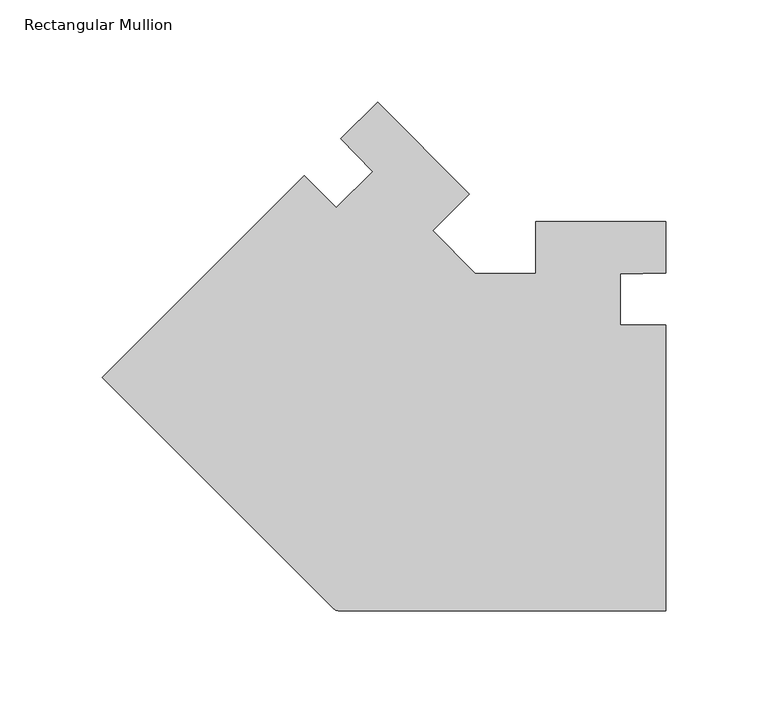
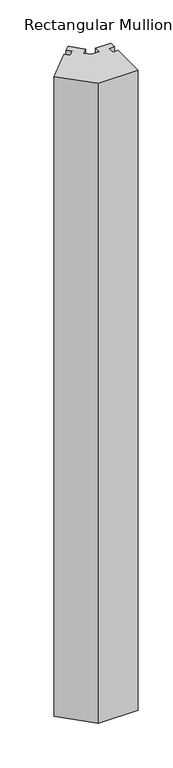
"""IFC4 building model written with IfcOpenShell, lengths in millimetres: member geometry, Rectangular Mullion."""

from ifc_helpers import new_model, si_unit, point, frame, frame_2d, origin, place, context, project, spatial, polyline, circle_curve, trimmed, segment, composite_curve, outline, extrude, source, transform, mapped, element, save


def rectangular_mullion_4b3859a2(model_context):
    return source(origin(), model_context, "Body", "SweptSolid", [
        extrude(outline(composite_curve([segment(trimmed(circle_curve(frame_2d((-160.1425556, -267.3620158)), 3.175), [point((-160.134354, -270.5370052))], [point((-162.3876196, -269.6070798))], False, "CARTESIAN"), True, "CONTINUOUS"), segment(polyline([(-162.3876196, -269.6070798), (-275.6255066, -156.3691928), (-176.8426853, -57.5863715), (-161.1273172, -73.3017397), (-143.3914021, -55.5658246)]), True, "CONTINUOUS"), segment(trimmed(circle_curve(frame_2d((-481.8228378, -368.6487055)), 461.0387479), [point((-143.3914021, -55.5658246))], [point((-158.8744881, -39.6181743))], True, "CARTESIAN"), True, "CONTINUOUS"), segment(polyline([(-158.8744881, -39.6181743), (-140.9216608, -21.665347), (-96.0203802, -66.5666276), (-113.9808964, -84.5271438), (-93.0710245, -105.4370157), (-63.5, -105.4370157), (-63.5, -80.0370102), (0.0, -80.0370102), (0.0, -105.426142)]), True, "CONTINUOUS"), segment(trimmed(circle_curve(frame_2d((-4.3007518, -566.4448298)), 461.0387479), [point((0.0, -105.426142))], [point((-22.2248868, -105.7546385))], True, "CARTESIAN"), True, "CONTINUOUS"), segment(polyline([(-22.2248868, -105.7546385), (-22.2248868, -130.8370102), (0.0, -130.8370102), (0.0, -270.5370052), (-160.134354, -270.5370052)]), True, "CONTINUOUS")], self_intersect=False)), frame((0.0, 0.0, -2743.2), z_axis=(0.0, 0.0, 1.0), x_axis=(1.0, 0.0, 0.0)), (0.0, 0.0, 1.0), 2743.2),
    ])


if __name__ == "__main__":
    model = new_model("IFC4")
    model_context = context("Model", 3, world=origin())
    ifc_project = project(units=[si_unit("LENGTHUNIT", "METRE", prefix="MILLI")], contexts=[model_context])
    site = spatial("IfcSite", under=ifc_project)
    building = spatial("IfcBuilding", under=site)
    placement = place(None, origin())
    rectangular_mullion_shape = rectangular_mullion_4b3859a2(model_context)
    element("IfcMember", 1, ObjectType="Rectangular Mullion", at=placement, inside=building, context=model_context, shape_type="MappedRepresentation", body=[
        mapped(rectangular_mullion_shape, transform((0.0, 0.0, 0.0), x_axis=(1.0, 0.0, 0.0), y_axis=(0.0, 1.0, 0.0), z_axis=(0.0, 0.0, 1.0))),
    ])
    save(model, "model.ifc")
